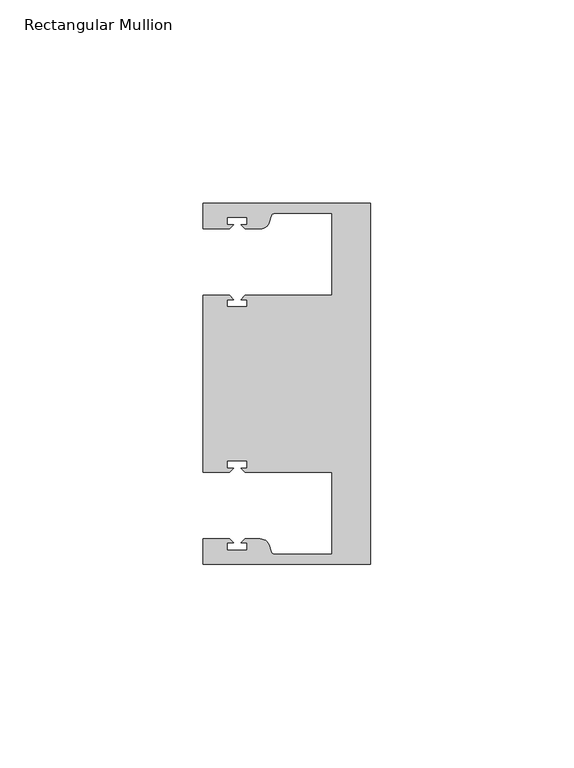
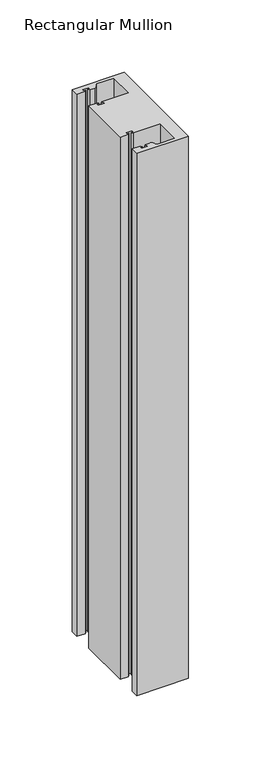
"""IFC4 building model written with IfcOpenShell, lengths in millimetres: member geometry, Rectangular Mullion."""

from ifc_helpers import new_model, si_unit, point, frame, frame_2d, origin, place, context, project, spatial, polyline, circle_curve, trimmed, segment, composite_curve, outline, extrude, source, transform, mapped, element, save


def rectangular_mullion_66056282(model_context):
    return source(origin(), model_context, "Body", "SweptSolid", [
        extrude(outline(composite_curve([segment(polyline([(0.0, -44.45), (-41.2749977, -44.45), (-41.2749977, -38.1499897), (-34.8007531, -38.1499897), (-33.8007405, -39.1500023), (-35.3749778, -39.1500023), (-35.3749778, -40.9498819), (-30.3749831, -40.9498819), (-30.3749831, -39.1500023), (-31.949256, -39.1500023), (-30.9492503, -38.1499966), (-27.2637853, -38.1499966)]), True, "CONTINUOUS"), segment(trimmed(circle_curve(frame_2d((-27.2637853, -40.6499966)), 2.5), [point((-27.2637853, -38.1499966))], [point((-24.8489707, -40.002949))], False, "CARTESIAN"), True, "CONTINUOUS"), segment(polyline([(-24.8489707, -40.002949), (-24.5258588, -41.2088192)]), True, "CONTINUOUS"), segment(trimmed(circle_curve(frame_2d((-23.5599329, -40.9500001)), 1.0), [point((-24.5258588, -41.2088192))], [point((-23.5599329, -41.9500001))], True, "CARTESIAN"), True, "CONTINUOUS"), segment(polyline([(-23.5599329, -41.9500001), (-9.525, -41.95), (-9.525, -21.7499959), (-30.9492434, -21.7499959), (-31.949256, -20.7499834), (-30.3750186, -20.7499834), (-30.3750186, -18.949936), (-35.3750134, -18.949936), (-35.3750134, -20.7499834), (-33.8007405, -20.7499834), (-34.8007562, -21.749999), (-41.275, -21.749999), (-41.275, 21.749999), (-34.8007562, 21.749999), (-33.8007405, 20.7499834), (-35.3750134, 20.7499834), (-35.3750134, 18.949936), (-30.3750186, 18.949936), (-30.3750186, 20.7499834), (-31.949256, 20.7499834), (-30.9492434, 21.7499959), (-9.525, 21.7499959), (-9.525, 41.95), (-23.5599329, 41.95)]), True, "CONTINUOUS"), segment(trimmed(circle_curve(frame_2d((-23.5599329, 40.9500001)), 1.0), [point((-23.5599329, 41.95))], [point((-24.5258588, 41.2088192))], True, "CARTESIAN"), True, "CONTINUOUS"), segment(polyline([(-24.5258588, 41.2088192), (-24.8489707, 40.002949)]), True, "CONTINUOUS"), segment(trimmed(circle_curve(frame_2d((-27.2637853, 40.6499966)), 2.5), [point((-24.8489707, 40.002949))], [point((-27.2637853, 38.1499966))], False, "CARTESIAN"), True, "CONTINUOUS"), segment(polyline([(-27.2637853, 38.1499966), (-30.9492503, 38.1499966), (-31.949256, 39.1500023), (-30.3749831, 39.1500023), (-30.3749831, 40.9498819), (-35.3749778, 40.9498819), (-35.3749778, 39.1500023), (-33.8007405, 39.1500023), (-34.8007531, 38.1499897), (-41.275, 38.1499897), (-41.275, 44.45), (0.0, 44.45), (0.0, -44.45)]), True, "CONTINUOUS")], self_intersect=False)), frame((0.0, 0.0, -457.2), z_axis=(0.0, 0.0, 1.0), x_axis=(1.0, 0.0, 0.0)), (0.0, 0.0, 1.0), 457.2),
    ])


if __name__ == "__main__":
    model = new_model("IFC4")
    model_context = context("Model", 3, world=origin())
    ifc_project = project(units=[si_unit("LENGTHUNIT", "METRE", prefix="MILLI")], contexts=[model_context])
    site = spatial("IfcSite", under=ifc_project)
    building = spatial("IfcBuilding", under=site)
    placement = place(None, origin())
    rectangular_mullion_shape = rectangular_mullion_66056282(model_context)
    element("IfcMember", 1, ObjectType="Rectangular Mullion", at=placement, inside=building, context=model_context, shape_type="MappedRepresentation", body=[
        mapped(rectangular_mullion_shape, transform((0.0, 0.0, 0.0), x_axis=(1.0, 0.0, 0.0), y_axis=(0.0, 1.0, 0.0), z_axis=(0.0, 0.0, 1.0))),
    ])
    save(model, "model.ifc")
